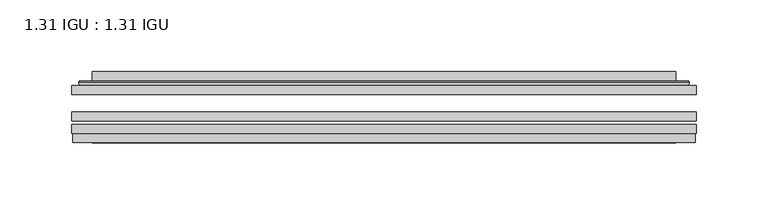
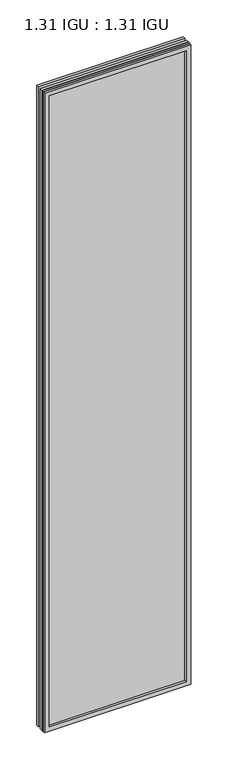
"""IFC4 building model written with IfcOpenShell, lengths in millimetres: plate geometry, 1.31 IGU : 1.31 IGU."""

from ifc_helpers import new_model, si_unit, frame, origin, place, context, project, spatial, polyline, ellipse_curve, outline, extrude, faceted_brep, source, transform, mapped, element, save
from ifc_brep_helpers import plane_surface, cylinder_surface, advanced_brep


def plate_1_31_igu_1_31_igu_a1798b7b(model_context):
    return source(origin(), model_context, "Body", "SolidModel", [
        extrude(outline(polyline([(217.501675, -63.59525), (217.501675, -69.94525), (-217.4875, -69.94525), (-217.4875, -63.59525), (217.501675, -63.59525)])), frame((0.0, 0.0, -14.2875), z_axis=(0.0, 0.0, 1.0), x_axis=(1.0, 0.0, 0.0)), (0.0, 0.0, 1.0), 2009.8015278),
        extrude(outline(polyline([(-217.4875, -78.58125), (-217.4875, -72.230745), (217.501675, -72.230745), (217.501675, -78.58125), (-217.4875, -78.58125)])), frame((0.0, 0.0, -14.2875), z_axis=(0.0, 0.0, 1.0), x_axis=(1.0, 0.0, 0.0)), (0.0, 0.0, 1.0), 2009.8015278),
        extrude(outline(polyline([(217.501675, -45.25645), (217.501675, -51.60645), (-217.4875, -51.60645), (-217.4875, -45.25645), (217.501675, -45.25645)])), frame((0.0, 0.0, -14.2875), z_axis=(0.0, 0.0, 1.0), x_axis=(1.0, 0.0, 0.0)), (0.0, 0.0, 1.0), 2009.8015278),
        faceted_brep([(-216.7873142, -84.93125, 1994.8100441), (-216.7873142, -78.58125, 1994.8100441), (-216.7873142, -78.58125, -13.5873142), (-216.7873142, -84.93125, -13.5873142), (216.7873142, -78.58125, -13.5873142), (216.7873142, -84.93125, -13.5873142), (216.7873142, -78.58125, 1994.8100441), (216.7873142, -84.93125, 1994.8100441), (-202.3022559, -78.58125, 0.8977441), (202.3022559, -78.58125, 0.8977441), (202.3022559, -78.58125, 1980.3249858), (-202.3022559, -78.58125, 1980.3249858), (-203.1946902, -84.93125, 1981.2174201), (203.1946902, -84.93125, 1981.2174201), (203.1946902, -84.93125, 0.0053098), (-203.1946902, -84.93125, 0.0053098)], [[[0, 1, 2, 3]], [[3, 2, 4, 5]], [[5, 4, 6, 7]], [[1, 6, 4, 2], [8, 9, 10, 11]], [[7, 6, 1, 0]], [[3, 5, 7, 0], [12, 13, 14, 15]], [[11, 12, 15, 8]], [[8, 15, 14, 9]], [[9, 14, 13, 10]], [[10, 13, 12, 11]]]),
        advanced_brep(
        [(-210.246219, -45.25645, 1988.2689489), (-212.6004244, -43.2667833, 1990.6231543), (-212.6004244, -43.2667833, -9.4004244), (-210.246219, -45.25645, -7.046219), (-201.1718939, -41.416413, 1979.1946238), (-196.2370621, -45.25645, 1974.2597919), (-196.2370621, -45.25645, 6.9629379), (-201.1718939, -41.416413, 2.0281061), (-202.2039217, -36.0191819, 1980.2266515), (-202.2039217, -36.0191819, 0.9960783), (-203.1945784, -35.6202069, 1981.2173083), (-203.1945784, -35.6202069, 0.0054216), (-203.1945784, -42.08145, 1981.2173083), (-203.1945784, -42.08145, 0.0054216), (-211.5986349, -42.08145, 1989.6213648), (-211.5986349, -42.08145, -8.3986349), (212.6004244, -43.2667833, -9.4004244), (210.246219, -45.25645, -7.046219), (196.2370621, -45.25645, 6.9629379), (201.1718939, -41.416413, 2.0281061), (202.2039217, -36.0191819, 0.9960783), (203.1945784, -35.6202069, 0.0054216), (203.1945784, -42.08145, 0.0054216), (211.5986349, -42.08145, -8.3986349), (212.6004244, -43.2667833, 1990.6231543), (210.246219, -45.25645, 1988.2689489), (196.2370621, -45.25645, 1974.2597919), (201.1718939, -41.416413, 1979.1946238), (202.2039217, -36.0191819, 1980.2266515), (203.1945784, -35.6202069, 1981.2173083), (203.1945784, -42.08145, 1981.2173083), (211.5986349, -42.08145, 1989.6213648)],
        [
            (0, 1, ellipse_curve(frame((-210.246219, -42.86885, 1988.2689489), z_axis=(-0.7071067811865475, 0.0, -0.7071067811865475), x_axis=(-0.7071067811865474, 0.0, 0.7071067811865476)), 3.3765763, 2.3876)),
            (1, 2),
            (2, 3, ellipse_curve(frame((-210.246219, -42.86885, -7.046219), z_axis=(-0.7071067811865475, 0.0, 0.7071067811865475), x_axis=(0.7071067811865474, 0.0, 0.7071067811865476)), 3.3765763, 2.3876)),
            (3, 0),
            (4, 5),
            (5, 6),
            (6, 7),
            (7, 4),
            (8, 4),
            (7, 9),
            (9, 8),
            (10, 8, ellipse_curve(frame((-202.8276219, -36.1384423, 1980.8503517), z_axis=(-0.7071067811865475, 0.0, -0.7071067811865475), x_axis=(-0.7071067811865474, 0.0, 0.7071067811865476)), 0.8980256, 0.635)),
            (9, 11, ellipse_curve(frame((-202.8276219, -36.1384423, 0.3723781), z_axis=(-0.7071067811865475, 0.0, 0.7071067811865475), x_axis=(0.7071067811865474, 0.0, 0.7071067811865476)), 0.8980256, 0.635)),
            (11, 10),
            (12, 10),
            (11, 13),
            (13, 12),
            (1, 14, ellipse_curve(frame((-211.5986349, -43.09745, 1989.6213648), z_axis=(-0.7071067811865475, 0.0, -0.7071067811865475), x_axis=(-0.7071067811865474, 0.0, 0.7071067811865476)), 1.436841, 1.016)),
            (14, 15),
            (15, 2, ellipse_curve(frame((-211.5986349, -43.09745, -8.3986349), z_axis=(-0.7071067811865475, 0.0, 0.7071067811865475), x_axis=(0.7071067811865474, 0.0, 0.7071067811865476)), 1.436841, 1.016)),
            (2, 16),
            (16, 17, ellipse_curve(frame((210.246219, -42.86885, -7.046219), z_axis=(-0.7071067811865475, 0.0, -0.7071067811865475), x_axis=(-0.7071067811865476, 0.0, 0.7071067811865474)), 3.3765763, 2.3876)),
            (17, 3),
            (6, 18),
            (18, 19),
            (19, 7),
            (19, 20),
            (20, 9),
            (20, 21, ellipse_curve(frame((202.8276219, -36.1384423, 0.3723781), z_axis=(-0.7071067811865475, 0.0, -0.7071067811865475), x_axis=(-0.7071067811865476, 0.0, 0.7071067811865474)), 0.8980256, 0.635)),
            (21, 11),
            (21, 22),
            (22, 13),
            (15, 23),
            (23, 16, ellipse_curve(frame((211.5986349, -43.09745, -8.3986349), z_axis=(-0.7071067811865475, 0.0, -0.7071067811865475), x_axis=(-0.7071067811865476, 0.0, 0.7071067811865474)), 1.436841, 1.016)),
            (16, 24),
            (24, 25, ellipse_curve(frame((210.246219, -42.86885, 1988.2689489), z_axis=(0.7071067811865475, 0.0, -0.7071067811865475), x_axis=(-0.7071067811865474, 0.0, -0.7071067811865476)), 3.3765763, 2.3876)),
            (25, 17),
            (18, 26),
            (26, 27),
            (27, 19),
            (27, 28),
            (28, 20),
            (28, 29, ellipse_curve(frame((202.8276219, -36.1384423, 1980.8503517), z_axis=(0.7071067811865475, 0.0, -0.7071067811865475), x_axis=(-0.7071067811865474, 0.0, -0.7071067811865476)), 0.8980256, 0.635)),
            (29, 21),
            (29, 30),
            (30, 22),
            (23, 31),
            (31, 24, ellipse_curve(frame((211.5986349, -43.09745, 1989.6213648), z_axis=(0.7071067811865475, 0.0, -0.7071067811865475), x_axis=(-0.7071067811865474, 0.0, -0.7071067811865476)), 1.436841, 1.016)),
            (24, 1),
            (0, 25),
            (5, 26),
            (4, 27),
            (8, 28),
            (10, 29),
            (12, 30),
            (14, 31),
        ],
        [
            cylinder_surface(frame((-210.246219, -42.86885, 2012.9727299), z_axis=(0.0, 0.0, 1.0), x_axis=(-1.0, 0.0, 0.0)), 2.3876),
            plane_surface(frame((-196.2370621, -45.25645, 1974.2597919), z_axis=(0.6141233906514794, 0.7892100234124821, 0.0), x_axis=(0.0, 0.0, -1.0))),
            plane_surface(frame((-201.1718939, -41.416413, 1979.1946238), z_axis=(0.9822050625507729, 0.18781164793386074, 0.0), x_axis=(0.0, 0.0, -1.0))),
            cylinder_surface(frame((-202.8276219, -36.1384423, 2012.9727299), z_axis=(0.0, 0.0, 1.0), x_axis=(-1.0, 0.0, 0.0)), 0.635),
            plane_surface(frame((-203.1945784, -35.6202069, 1981.2173083), z_axis=(-1.0, 0.0, 0.0), x_axis=(0.0, 0.0, -1.0))),
            cylinder_surface(frame((-211.5986349, -43.09745, 2012.9727299), z_axis=(0.0, 0.0, 1.0), x_axis=(-1.0, 0.0, 0.0)), 1.016),
            cylinder_surface(frame((-234.95, -42.86885, -7.046219), z_axis=(-1.0, 0.0, 0.0), x_axis=(0.0, 0.0, -1.0)), 2.3876),
            plane_surface(frame((-196.2370621, -45.25645, 6.9629379), z_axis=(0.0, 0.7892100234124841, 0.6141233906514768), x_axis=(1.0, 0.0, 0.0))),
            plane_surface(frame((-201.1718939, -41.416413, 2.0281061), z_axis=(0.0, 0.18781164793386393, 0.9822050625507723), x_axis=(1.0, 0.0, 0.0))),
            cylinder_surface(frame((-234.95, -36.1384423, 0.3723781), z_axis=(-1.0, 0.0, 0.0), x_axis=(0.0, 0.0, -1.0)), 0.635),
            plane_surface(frame((-203.1945784, -35.6202069, 0.0054216), z_axis=(0.0, 0.0, -1.0), x_axis=(1.0, 0.0, 0.0))),
            cylinder_surface(frame((-234.95, -43.09745, -8.3986349), z_axis=(-1.0, 0.0, 0.0), x_axis=(0.0, 0.0, -1.0)), 1.016),
            cylinder_surface(frame((210.246219, -42.86885, -31.75), z_axis=(0.0, 0.0, -1.0), x_axis=(1.0, 0.0, 0.0)), 2.3876),
            plane_surface(frame((196.2370621, -45.25645, 6.9629379), z_axis=(-0.6141233906514743, 0.7892100234124861, 0.0), x_axis=(0.0, 0.0, 1.0))),
            plane_surface(frame((201.1718939, -41.416413, 2.0281061), z_axis=(-0.9822050625507718, 0.18781164793386712, 0.0), x_axis=(0.0, 0.0, 1.0))),
            cylinder_surface(frame((202.8276219, -36.1384423, -31.75), z_axis=(0.0, 0.0, -1.0), x_axis=(1.0, 0.0, 0.0)), 0.635),
            plane_surface(frame((203.1945784, -35.6202069, 0.0054216), z_axis=(1.0, 0.0, 0.0), x_axis=(0.0, 0.0, 1.0))),
            cylinder_surface(frame((211.5986349, -43.09745, -31.75), z_axis=(0.0, 0.0, -1.0), x_axis=(1.0, 0.0, 0.0)), 1.016),
            cylinder_surface(frame((234.95, -42.86885, 1988.2689489), z_axis=(1.0, 0.0, 0.0), x_axis=(0.0, 0.0, 1.0)), 2.3876),
            plane_surface(frame((210.246219, -45.25645, 1988.2689489), z_axis=(0.0, -1.0, 0.0), x_axis=(-1.0, 0.0, 0.0))),
            plane_surface(frame((196.2370621, -45.25645, 1974.2597919), z_axis=(0.0, 0.7892100234124841, -0.6141233906514768), x_axis=(-1.0, 0.0, 0.0))),
            plane_surface(frame((201.1718939, -41.416413, 1979.1946238), z_axis=(0.0, 0.18781164793386393, -0.9822050625507723), x_axis=(-1.0, 0.0, 0.0))),
            cylinder_surface(frame((234.95, -36.1384423, 1980.8503517), z_axis=(1.0, 0.0, 0.0), x_axis=(0.0, 0.0, 1.0)), 0.635),
            plane_surface(frame((203.1945784, -35.6202069, 1981.2173083), z_axis=(0.0, 0.0, 1.0), x_axis=(-1.0, 0.0, 0.0))),
            plane_surface(frame((203.1945784, -42.08145, 1981.2173083), z_axis=(0.0, 1.0, 0.0), x_axis=(-1.0, 0.0, 0.0))),
            cylinder_surface(frame((234.95, -43.09745, 1989.6213648), z_axis=(1.0, 0.0, 0.0), x_axis=(0.0, 0.0, 1.0)), 1.016),
        ],
        [
            (0, [[1, 2, 3, 4]]),
            (1, [[5, 6, 7, 8]]),
            (2, [[9, -8, 10, 11]]),
            (3, [[12, -11, 13, 14]]),
            (4, [[15, -14, 16, 17]]),
            (5, [[18, 19, 20, -2]]),
            (6, [[-3, 21, 22, 23]]),
            (7, [[-7, 24, 25, 26]]),
            (8, [[-10, -26, 27, 28]]),
            (9, [[-13, -28, 29, 30]]),
            (10, [[-16, -30, 31, 32]]),
            (11, [[-20, 33, 34, -21]]),
            (12, [[-22, 35, 36, 37]]),
            (13, [[-25, 38, 39, 40]]),
            (14, [[-27, -40, 41, 42]]),
            (15, [[-29, -42, 43, 44]]),
            (16, [[-31, -44, 45, 46]]),
            (17, [[-34, 47, 48, -35]]),
            (18, [[-36, 49, -1, 50]]),
            (19, [[-23, -37, -50, -4], [51, -38, -24, -6]]),
            (20, [[-39, -51, -5, 52]]),
            (21, [[-41, -52, -9, 53]]),
            (22, [[-43, -53, -12, 54]]),
            (23, [[-45, -54, -15, 55]]),
            (24, [[56, -47, -33, -19], [-32, -46, -55, -17]]),
            (25, [[-48, -56, -18, -49]]),
        ],
    ),
    ])


if __name__ == "__main__":
    model = new_model("IFC4")
    model_context = context("Model", 3, world=origin())
    ifc_project = project(units=[si_unit("LENGTHUNIT", "METRE", prefix="MILLI")], contexts=[model_context])
    site = spatial("IfcSite", under=ifc_project)
    building = spatial("IfcBuilding", under=site)
    placement = place(None, origin())
    plate_1_31_igu_1_31_igu_shape = plate_1_31_igu_1_31_igu_a1798b7b(model_context)
    element("IfcPlate", 1, ObjectType="1.31 IGU : 1.31 IGU", at=placement, inside=building, context=model_context, shape_type="MappedRepresentation", body=[
        mapped(plate_1_31_igu_1_31_igu_shape, transform((0.0, 0.0, 0.0), x_axis=(1.0, 0.0, 0.0), y_axis=(0.0, 1.0, 0.0), z_axis=(0.0, 0.0, 1.0))),
    ])
    save(model, "model.ifc")
